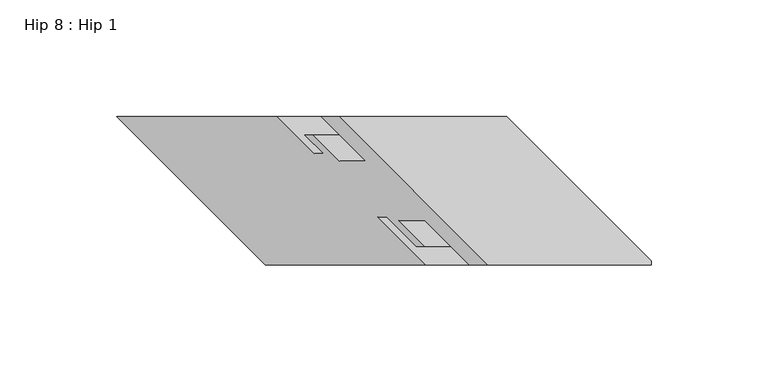
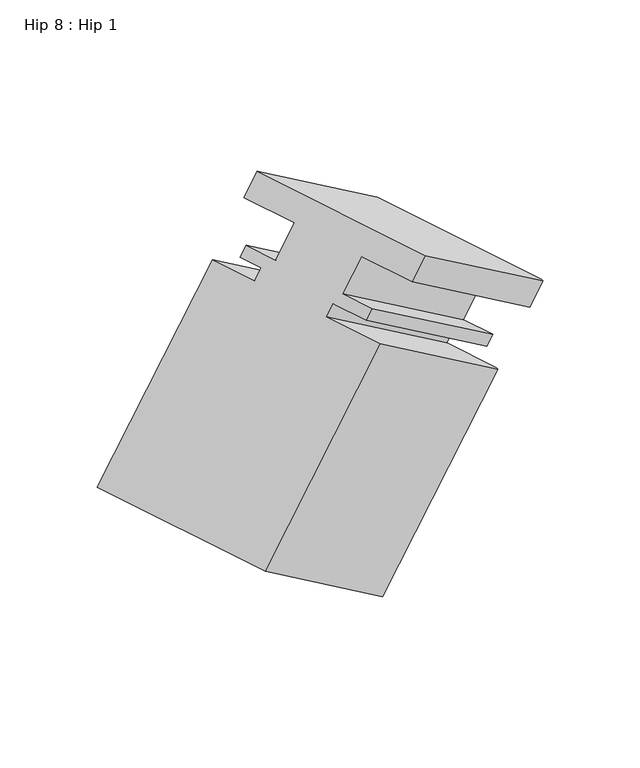
"""IFC4 building model written with IfcOpenShell, lengths in millimetres: proxy geometry, Hip 8 : Hip 1."""

from ifc_helpers import new_model, si_unit, origin, place, context, project, spatial, faceted_brep, source, transform, mapped, element, save


def hip_8_hip_1_00d847cf(model_context):
    return source(origin(), model_context, "Body", "Brep", [
        faceted_brep([(15556.7623563, 10709.3144381, 949.4438947), (15556.7623563, 10711.0675323, 949.4438947), (15495.0154505, 10772.8144381, 985.0934874), (15423.3968029, 10772.8144381, 1026.4425329), (15486.8968029, 10709.3144381, 989.7807908), (15548.8248563, 10709.3144381, 935.6957415), (15478.9593029, 10709.3144381, 976.0326375), (15548.8248563, 10711.0675323, 935.6957415), (15459.9093029, 10728.3644381, 987.0311601), (15531.5279505, 10728.3644381, 945.6821147), (15448.6698029, 10728.3644381, 967.5637751), (15520.2884505, 10728.3644381, 926.2147296), (15459.7950029, 10717.2392381, 961.1406379), (15531.4136505, 10717.2392381, 919.7915924), (15456.2136029, 10717.2392381, 954.9374711), (15527.8322505, 10717.2392381, 913.5884256), (15443.6749922, 10729.7778488, 962.1766413), (15515.2936398, 10729.7778488, 920.8275959), (15439.7252922, 10729.7778488, 955.3355603), (15511.3439398, 10729.7778488, 913.9865148), (15530.0542563, 10709.3144381, 903.1841086), (15530.0542563, 10711.0675323, 903.1841086), (15460.1887029, 10709.3144381, 943.5210046), (15461.3853563, 10709.3144381, 784.2460849), (15391.5198029, 10709.3144381, 824.5829809), (15461.3853563, 10711.0675323, 784.2460849), (15328.0198029, 10772.8144381, 861.244723), (15399.6384505, 10772.8144381, 819.8956775), (15396.6887029, 10772.8144381, 980.1827467), (15468.3073505, 10772.8144381, 938.8337012), (15412.5637029, 10756.9394381, 971.0173112), (15484.1823505, 10756.9394381, 929.6682657), (15416.5134029, 10756.9394381, 977.8583923), (15488.1320505, 10756.9394381, 936.5093468), (15408.5632029, 10764.8896381, 982.4484424), (15480.1818505, 10764.8896381, 941.0993969), (15412.1446029, 10764.8896381, 988.6516091), (15483.7632505, 10764.8896381, 947.3025637), (15423.2698029, 10753.7644381, 982.2284719), (15494.8884505, 10753.7644381, 940.8794265), (15434.5093029, 10753.7644381, 1001.695857), (15506.1279505, 10753.7644381, 960.3468115), (15415.4593029, 10772.8144381, 1012.6943796), (15487.0779505, 10772.8144381, 971.3453341)], [[[0, 1, 2, 3, 4]], [[5, 0, 4, 6]], [[7, 5, 6, 8, 9]], [[9, 8, 10, 11]], [[11, 10, 12, 13]], [[13, 12, 14, 15]], [[15, 14, 16, 17]], [[17, 16, 18, 19]], [[20, 21, 19, 18, 22]], [[23, 20, 22, 24]], [[25, 23, 24, 26, 27]], [[27, 26, 28, 29]], [[29, 28, 30, 31]], [[31, 30, 32, 33]], [[33, 32, 34, 35]], [[35, 34, 36, 37]], [[37, 36, 38, 39]], [[39, 38, 40, 41]], [[41, 40, 42, 43]], [[3, 2, 43, 42]], [[1, 7, 9, 11, 13, 15, 17, 19, 21, 25, 27, 29, 31, 33, 35, 37, 39, 41, 43, 2]], [[4, 3, 42, 40, 38, 36, 34, 32, 30, 28, 26, 24, 22, 18, 16, 14, 12, 10, 8, 6]], [[0, 5, 7, 1]], [[20, 23, 25, 21]]]),
    ])


if __name__ == "__main__":
    model = new_model("IFC4")
    model_context = context("Model", 3, world=origin())
    ifc_project = project(units=[si_unit("LENGTHUNIT", "METRE", prefix="MILLI")], contexts=[model_context])
    site = spatial("IfcSite", under=ifc_project)
    building = spatial("IfcBuilding", under=site)
    placement = place(None, origin())
    hip_8_hip_1_shape = hip_8_hip_1_00d847cf(model_context)
    element("IfcBuildingElementProxy", 1, Name="Hip 8 : Hip 1", ObjectType="Hip 8 : Hip 1", at=placement, inside=building, context=model_context, shape_type="MappedRepresentation", body=[
        mapped(hip_8_hip_1_shape, transform((0.0, 0.0, 0.0), x_axis=(1.0, 0.0, 0.0), y_axis=(0.0, 1.0, 0.0), z_axis=(0.0, 0.0, 1.0))),
    ])
    save(model, "model.ifc")
